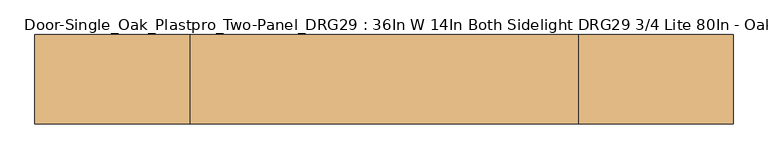
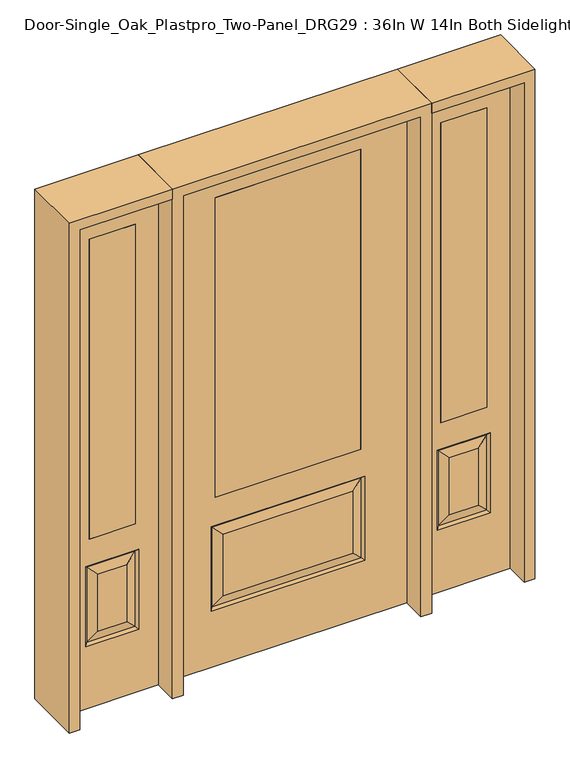
"""IFC4 building model written with IfcOpenShell, lengths in millimetres: door geometry, Door-Single_Oak_Plastpro_Two-Panel_DRG29 : 36In W 14In Both Sidelight DRG29 3/4 Lite 80In - Oak."""

from ifc_helpers import new_model, si_unit, frame, origin, place, context, project, spatial, polyline, outline, extrude, faceted_brep, source, transform, mapped, element, save


def door_single_oak_plastpro_two_panel_drg29_36in_w_14in_both_f9ded6cb(model_context):
    return source(origin(), model_context, "Body", "SolidModel", [
        extrude(outline(polyline([(-279.4, -20.6375), (-279.4, 20.6375), (279.4, 20.6375), (279.4, -20.6375), (-279.4, -20.6375)])), frame((0.0, 0.0, 685.8), z_axis=(0.0, 0.0, 1.0), x_axis=(1.0, 0.0, 0.0)), (0.0, 0.0, 1.0), 1219.2),
        faceted_brep([(-249.1224548, -20.6375, 274.7525452), (249.1224548, -20.6375, 274.7525452), (249.1224548, -20.6375, 525.3474548), (-249.1224548, -20.6375, 525.3474548), (457.2, -20.6375, 2032.0), (-457.2, -20.6375, 2032.0), (-457.2, -20.6375, 0.0), (457.2, -20.6375, 0.0), (295.1599548, -20.6375, 228.7150452), (-295.1599548, -20.6375, 228.7150452), (-295.1599548, -20.6375, 571.3849548), (295.1599548, -20.6375, 571.3849548), (-279.4, -20.6375, 1905.0), (279.4, -20.6375, 1905.0), (279.4, -20.6375, 685.8), (-279.4, -20.6375, 685.8), (-279.4, 20.6375, 1905.0), (-279.4, 20.6375, 685.8), (279.4, 20.6375, 685.8), (249.1224548, 20.6375, 274.7525452), (-249.1224548, 20.6375, 274.7525452), (-249.1224548, 20.6375, 525.3474548), (249.1224548, 20.6375, 525.3474548), (-457.2, 20.6375, 2032.0), (457.2, 20.6375, 2032.0), (457.2, 20.6375, 0.0), (-457.2, 20.6375, 0.0), (-295.1599548, 20.6375, 228.7150452), (295.1599548, 20.6375, 228.7150452), (295.1599548, 20.6375, 571.3849548), (-295.1599548, 20.6375, 571.3849548), (279.4, 20.6375, 1905.0), (286.1796986, -11.6572439, 237.6953014), (-286.1796986, -11.6572439, 237.6953014), (-286.1796986, -11.6572439, 562.4046986), (286.1796986, -11.6572439, 562.4046986), (286.1796986, 11.6572439, 237.6953014), (-286.1796986, 11.6572439, 237.6953014), (-286.1796986, 11.6572439, 562.4046986), (286.1796986, 11.6572439, 562.4046986)], [[[0, 1, 2, 3]], [[4, 5, 6, 7], [8, 9, 10, 11], [12, 13, 14, 15]], [[16, 12, 15, 17]], [[17, 15, 14, 18]], [[19, 20, 21, 22]], [[23, 24, 25, 26], [27, 28, 29, 30], [31, 16, 17, 18]], [[13, 31, 18, 14]], [[6, 26, 25, 7]], [[5, 23, 26, 6]], [[24, 4, 7, 25]], [[32, 33, 9, 8]], [[9, 33, 34, 10]], [[10, 34, 35, 11]], [[32, 8, 11, 35]], [[33, 32, 1, 0]], [[1, 32, 35, 2]], [[34, 3, 2, 35]], [[33, 0, 3, 34]], [[36, 37, 20, 19]], [[20, 37, 38, 21]], [[21, 38, 39, 22]], [[36, 19, 22, 39]], [[37, 36, 28, 27]], [[28, 36, 39, 29]], [[38, 30, 29, 39]], [[37, 27, 30, 38]], [[12, 16, 31, 13]], [[5, 4, 24, 23]]]),
        extrude(outline(polyline([(765.175, -20.6375), (587.375, -20.6375), (587.375, 20.6375), (765.175, 20.6375), (765.175, -20.6375)])), frame((0.0, 0.0, 685.8), z_axis=(0.0, 0.0, 1.0), x_axis=(1.0, 0.0, 0.0)), (0.0, 0.0, 1.0), 1219.2),
        faceted_brep([(765.175, -20.6375, 1905.0), (587.375, -20.6375, 1905.0), (587.375, 20.6375, 1905.0), (765.175, 20.6375, 1905.0), (731.7224548, -20.6375, 531.6974548), (620.8275452, -20.6375, 531.6974548), (620.8275452, -20.6375, 300.1525452), (731.7224548, -20.6375, 300.1525452), (498.475, -20.6375, 2032.0), (498.475, -20.6375, 0.0), (854.075, -20.6375, 0.0), (854.075, -20.6375, 2032.0), (765.175, -20.6375, 685.8), (587.375, -20.6375, 685.8), (777.7599548, -20.6375, 254.1150452), (574.7900452, -20.6375, 254.1150452), (574.7900452, -20.6375, 577.7349548), (777.7599548, -20.6375, 577.7349548), (768.7796986, 11.6572439, 568.7546986), (777.7599548, 20.6375, 577.7349548), (777.7599548, 20.6375, 254.1150452), (768.7796986, 11.6572439, 263.0953014), (583.7703014, 11.6572439, 568.7546986), (574.7900452, 20.6375, 577.7349548), (731.7224548, 20.6375, 300.1525452), (731.7224548, 20.6375, 531.6974548), (765.175, 20.6375, 685.8), (587.375, 20.6375, 685.8), (583.7703014, -11.6572439, 263.0953014), (768.7796986, -11.6572439, 263.0953014), (583.7703014, -11.6572439, 568.7546986), (768.7796986, -11.6572439, 568.7546986), (498.475, 20.6375, 2032.0), (854.075, 20.6375, 2032.0), (498.475, 20.6375, 0.0), (854.075, 20.6375, 0.0), (574.7900452, 20.6375, 254.1150452), (620.8275452, 20.6375, 300.1525452), (620.8275452, 20.6375, 531.6974548), (583.7703014, 11.6572439, 263.0953014)], [[[0, 1, 2, 3]], [[4, 5, 6, 7]], [[8, 9, 10, 11], [0, 12, 13, 1], [14, 15, 16, 17]], [[18, 19, 20, 21]], [[18, 22, 23, 19]], [[21, 24, 25, 18]], [[26, 27, 13, 12]], [[7, 6, 28, 29]], [[6, 5, 30, 28]], [[29, 14, 17, 31]], [[32, 8, 11, 33]], [[34, 35, 10, 9]], [[32, 34, 9, 8]], [[11, 10, 35, 33]], [[33, 35, 34, 32], [19, 23, 36, 20], [2, 27, 26, 3]], [[24, 37, 38, 25]], [[20, 36, 39, 21]], [[36, 23, 22, 39]], [[25, 38, 22, 18]], [[39, 22, 38, 37]], [[21, 39, 37, 24]], [[3, 26, 12, 0]], [[1, 13, 27, 2]], [[31, 4, 7, 29]], [[31, 30, 5, 4]], [[17, 16, 30, 31]], [[28, 30, 16, 15]], [[29, 28, 15, 14]]]),
        extrude(outline(polyline([(-765.175, -20.6375), (-765.175, 20.6375), (-587.375, 20.6375), (-587.375, -20.6375), (-765.175, -20.6375)])), frame((0.0, 0.0, 685.8), z_axis=(0.0, 0.0, 1.0), x_axis=(1.0, 0.0, 0.0)), (0.0, 0.0, 1.0), 1219.2),
        faceted_brep([(-765.175, -20.6375, 1905.0), (-765.175, 20.6375, 1905.0), (-587.375, 20.6375, 1905.0), (-587.375, -20.6375, 1905.0), (-731.7224548, -20.6375, 531.6974548), (-731.7224548, -20.6375, 300.1525452), (-620.8275452, -20.6375, 300.1525452), (-620.8275452, -20.6375, 531.6974548), (-498.475, -20.6375, 2032.0), (-854.075, -20.6375, 2032.0), (-854.075, -20.6375, 0.0), (-498.475, -20.6375, 0.0), (-777.7599548, -20.6375, 254.1150452), (-777.7599548, -20.6375, 577.7349548), (-574.7900452, -20.6375, 577.7349548), (-574.7900452, -20.6375, 254.1150452), (-587.375, -20.6375, 685.8), (-765.175, -20.6375, 685.8), (-768.7796986, 11.6572439, 568.7546986), (-768.7796986, 11.6572439, 263.0953014), (-777.7599548, 20.6375, 254.1150452), (-777.7599548, 20.6375, 577.7349548), (-574.7900452, 20.6375, 577.7349548), (-583.7703014, 11.6572439, 568.7546986), (-731.7224548, 20.6375, 531.6974548), (-731.7224548, 20.6375, 300.1525452), (-765.175, 20.6375, 685.8), (-587.375, 20.6375, 685.8), (-768.7796986, -11.6572439, 263.0953014), (-583.7703014, -11.6572439, 263.0953014), (-583.7703014, -11.6572439, 568.7546986), (-768.7796986, -11.6572439, 568.7546986), (-498.475, 20.6375, 2032.0), (-854.075, 20.6375, 2032.0), (-498.475, 20.6375, 0.0), (-854.075, 20.6375, 0.0), (-574.7900452, 20.6375, 254.1150452), (-620.8275452, 20.6375, 531.6974548), (-620.8275452, 20.6375, 300.1525452), (-583.7703014, 11.6572439, 263.0953014)], [[[0, 1, 2, 3]], [[4, 5, 6, 7]], [[8, 9, 10, 11], [12, 13, 14, 15], [0, 3, 16, 17]], [[18, 19, 20, 21]], [[18, 21, 22, 23]], [[19, 18, 24, 25]], [[26, 17, 16, 27]], [[5, 28, 29, 6]], [[6, 29, 30, 7]], [[28, 31, 13, 12]], [[32, 33, 9, 8]], [[34, 11, 10, 35]], [[32, 8, 11, 34]], [[9, 33, 35, 10]], [[33, 32, 34, 35], [21, 20, 36, 22], [2, 1, 26, 27]], [[25, 24, 37, 38]], [[20, 19, 39, 36]], [[36, 39, 23, 22]], [[24, 18, 23, 37]], [[39, 38, 37, 23]], [[19, 25, 38, 39]], [[1, 0, 17, 26]], [[3, 2, 27, 16]], [[31, 28, 5, 4]], [[31, 4, 7, 30]], [[13, 31, 30, 14]], [[29, 15, 14, 30]], [[28, 12, 15, 29]]]),
        extrude(outline(polyline([(2032.0, -498.475), (2073.275, -498.475), (2073.275, -895.35), (0.0, -895.35), (0.0, -854.075), (2032.0, -854.075), (2032.0, -498.475)])), frame((0.0, -114.3, 0.0), z_axis=(0.0, 1.0, 0.0), x_axis=(0.0, 0.0, 1.0)), (0.0, 0.0, 1.0), 228.6),
        extrude(outline(polyline([(2073.275, -498.475), (0.0, -498.475), (0.0, -457.2), (2032.0, -457.2), (2032.0, 457.2), (0.0, 457.2), (0.0, 498.475), (2073.275, 498.475), (2073.275, -498.475)])), frame((0.0, -114.3, 0.0), z_axis=(0.0, 1.0, 0.0), x_axis=(0.0, 0.0, 1.0)), (0.0, 0.0, 1.0), 228.6),
        extrude(outline(polyline([(0.0, 854.075), (0.0, 895.35), (2073.275, 895.35), (2073.275, 498.475), (2032.0, 498.475), (2032.0, 854.075), (0.0, 854.075)])), frame((0.0, -114.3, 0.0), z_axis=(0.0, 1.0, 0.0), x_axis=(0.0, 0.0, 1.0)), (0.0, 0.0, 1.0), 228.6),
    ])


if __name__ == "__main__":
    model = new_model("IFC4")
    model_context = context("Model", 3, world=origin())
    ifc_project = project(units=[si_unit("LENGTHUNIT", "METRE", prefix="MILLI")], contexts=[model_context])
    site = spatial("IfcSite", under=ifc_project)
    building = spatial("IfcBuilding", under=site)
    placement = place(None, origin())
    door_single_oak_plastpro_two_panel_drg29_36in_w_14in_both_shape = door_single_oak_plastpro_two_panel_drg29_36in_w_14in_both_f9ded6cb(model_context)
    element("IfcDoor", 1, ObjectType="Door-Single_Oak_Plastpro_Two-Panel_DRG29 : 36In W 14In Both Sidelight DRG29 3/4 Lite 80In - Oak", at=placement, inside=building, context=model_context, shape_type="MappedRepresentation", body=[
        mapped(door_single_oak_plastpro_two_panel_drg29_36in_w_14in_both_shape, transform((0.0, 0.0, 0.0), x_axis=(1.0, 0.0, 0.0), y_axis=(0.0, 1.0, 0.0), z_axis=(0.0, 0.0, 1.0))),
    ])
    save(model, "model.ifc")
